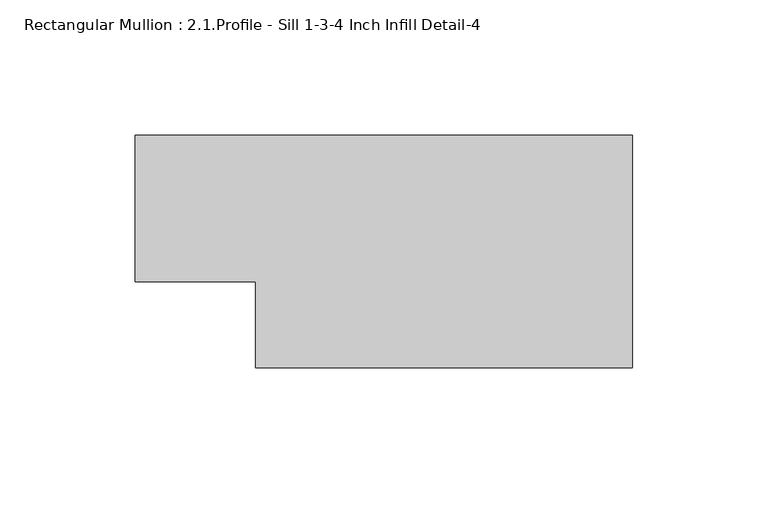
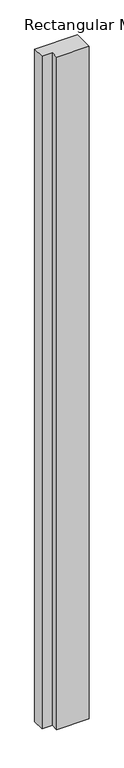
"""IFC4 building model written with IfcOpenShell, lengths in millimetres: member geometry, Rectangular Mullion : 2.1.Profile - Sill 1-3-4 Inch Infill Detail-4."""

from ifc_helpers import new_model, si_unit, frame, origin, place, context, project, spatial, polyline, outline, extrude, source, transform, mapped, element, save


def rectangular_mullion_2_1_profile_sill_1_3_4_inch_infill_c388eca9(model_context):
    return source(origin(), model_context, "Body", "SweptSolid", [
        extrude(outline(polyline([(-139.192, -11.1686617), (-183.642, -11.1686617), (-183.642, 42.9185485), (0.0, 42.9185485), (0.0, -42.9185485), (-139.192, -42.9185485), (-139.192, -11.1686617)])), frame((0.0, 0.0, -3048.0), z_axis=(0.0, 0.0, 1.0), x_axis=(1.0, 0.0, 0.0)), (0.0, 0.0, 1.0), 3048.0),
    ])


if __name__ == "__main__":
    model = new_model("IFC4")
    model_context = context("Model", 3, world=origin())
    ifc_project = project(units=[si_unit("LENGTHUNIT", "METRE", prefix="MILLI")], contexts=[model_context])
    site = spatial("IfcSite", under=ifc_project)
    building = spatial("IfcBuilding", under=site)
    placement = place(None, origin())
    rectangular_mullion_2_1_profile_sill_1_3_4_inch_infill_shape = rectangular_mullion_2_1_profile_sill_1_3_4_inch_infill_c388eca9(model_context)
    element("IfcMember", 1, ObjectType="Rectangular Mullion : 2.1.Profile - Sill 1-3-4 Inch Infill Detail-4", at=placement, inside=building, context=model_context, shape_type="MappedRepresentation", body=[
        mapped(rectangular_mullion_2_1_profile_sill_1_3_4_inch_infill_shape, transform((0.0, 0.0, 0.0), x_axis=(1.0, 0.0, 0.0), y_axis=(0.0, 1.0, 0.0), z_axis=(0.0, 0.0, 1.0))),
    ])
    save(model, "model.ifc")
